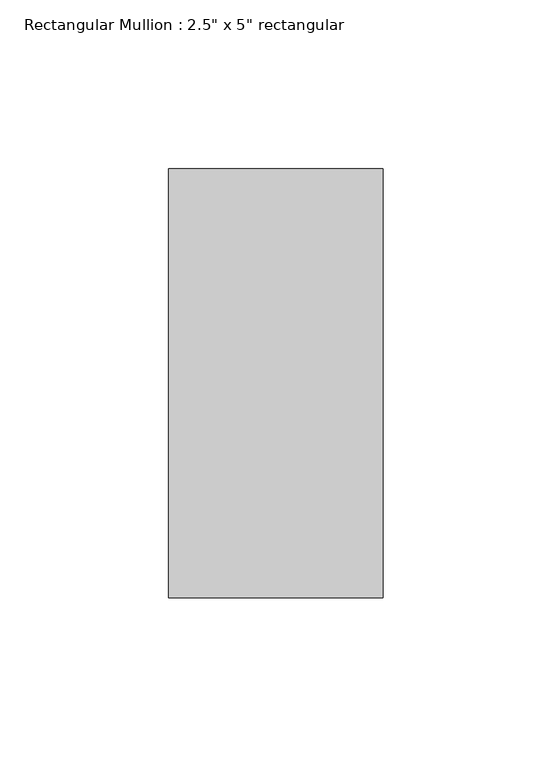
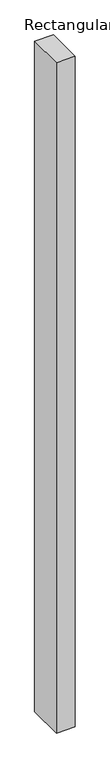
"""IFC4 building model written with IfcOpenShell, lengths in millimetres: member geometry."""

from ifc_helpers import new_model, si_unit, frame, origin, place, context, project, spatial, polyline, outline, extrude, source, transform, mapped, element, save


def member_271983ed(model_context):
    return source(origin(), model_context, "Body", "SweptSolid", [
        extrude(outline(polyline([(31.75, 63.5), (31.75, -63.5), (-31.75, -63.5), (-31.75, 63.5), (31.75, 63.5)])), frame((0.0, 0.0, -2393.3032429), z_axis=(0.0, 0.0, 1.0), x_axis=(1.0, 0.0, 0.0)), (0.0, 0.0, 1.0), 2393.3032429),
    ])


if __name__ == "__main__":
    model = new_model("IFC4")
    model_context = context("Model", 3, world=origin())
    ifc_project = project(units=[si_unit("LENGTHUNIT", "METRE", prefix="MILLI")], contexts=[model_context])
    site = spatial("IfcSite", under=ifc_project)
    building = spatial("IfcBuilding", under=site)
    placement = place(None, origin())
    member_shape = member_271983ed(model_context)
    element("IfcMember", 1, ObjectType="Rectangular Mullion : 2.5\" x 5\" rectangular", at=placement, inside=building, context=model_context, shape_type="MappedRepresentation", body=[
        mapped(member_shape, transform((0.0, 0.0, 0.0), x_axis=(1.0, 0.0, 0.0), y_axis=(0.0, 1.0, 0.0), z_axis=(0.0, 0.0, 1.0))),
    ])
    save(model, "model.ifc")
